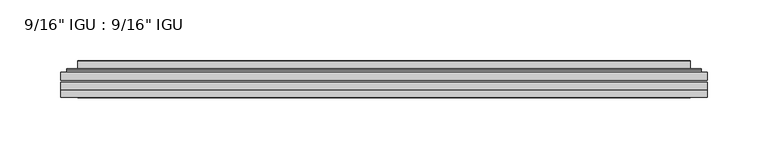
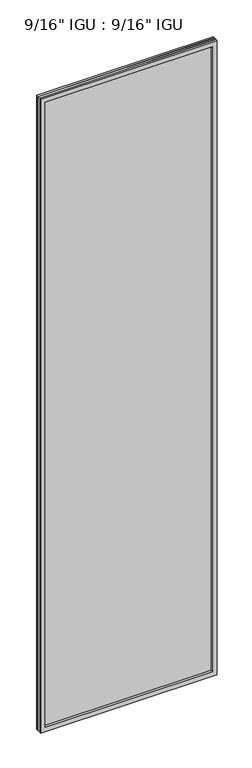
"""IFC4 building model written with IfcOpenShell, lengths in millimetres: plate geometry."""

from ifc_helpers import new_model, si_unit, frame, origin, place, context, project, spatial, polyline, ellipse_curve, outline, extrude, faceted_brep, source, transform, mapped, element, save
from ifc_brep_helpers import plane_surface, cylinder_surface, advanced_brep


def plate_fbda2cbd(model_context):
    return source(origin(), model_context, "Body", "SolidModel", [
        extrude(outline(polyline([(266.714175, -54.78145), (266.714175, -61.1317818), (-266.7, -61.1317818), (-266.7, -54.78145), (266.714175, -54.78145)])), frame((0.0, 0.0, -14.2875), z_axis=(0.0, 0.0, 1.0), x_axis=(1.0, 0.0, 0.0)), (0.0, 0.0, 1.0), 2022.4787979),
        extrude(outline(polyline([(-266.7, -69.05625), (-266.7, -62.705745), (266.714175, -62.705745), (266.714175, -69.05625), (-266.7, -69.05625)])), frame((0.0, 0.0, -14.2875), z_axis=(0.0, 0.0, 1.0), x_axis=(1.0, 0.0, 0.0)), (0.0, 0.0, 1.0), 2022.4787979),
        faceted_brep([(-266.7127, -75.40625, 2008.2002), (-266.7127, -69.05625, 2008.2002), (-266.7127, -69.05625, -14.3002), (-266.7127, -75.40625, -14.3002), (266.7127, -69.05625, -14.3002), (266.7127, -75.40625, -14.3002), (266.7127, -69.05625, 2008.2002), (266.7127, -75.40625, 2008.2002), (-251.5147559, -69.05625, 0.8977441), (251.5147559, -69.05625, 0.8977441), (251.5147559, -69.05625, 1993.0022559), (-251.5147559, -69.05625, 1993.0022559), (-252.4071902, -75.40625, 1993.8946902), (252.4071902, -75.40625, 1993.8946902), (252.4071902, -75.40625, 0.0053098), (-252.4071902, -75.40625, 0.0053098)], [[[0, 1, 2, 3]], [[3, 2, 4, 5]], [[5, 4, 6, 7]], [[1, 6, 4, 2], [8, 9, 10, 11]], [[7, 6, 1, 0]], [[3, 5, 7, 0], [12, 13, 14, 15]], [[11, 12, 15, 8]], [[8, 15, 14, 9]], [[9, 14, 13, 10]], [[10, 13, 12, 11]]]),
        advanced_brep(
        [(-259.458719, -54.78145, 2000.946219), (-261.8129244, -52.7917833, 2003.3004244), (-261.8129244, -52.7917833, -9.4004244), (-259.458719, -54.78145, -7.046219), (-250.3843939, -50.941413, 1991.8718939), (-245.4495621, -54.78145, 1986.9370621), (-245.4495621, -54.78145, 6.9629379), (-250.3843939, -50.941413, 2.0281061), (-251.4164217, -45.5441819, 1992.9039217), (-251.4164217, -45.5441819, 0.9960783), (-252.4070784, -45.1452069, 1993.8945784), (-252.4070784, -45.1452069, 0.0054216), (-252.4070784, -51.60645, 1993.8945784), (-252.4070784, -51.60645, 0.0054216), (-260.8111349, -51.60645, 2002.2986349), (-260.8111349, -51.60645, -8.3986349), (261.8129244, -52.7917833, -9.4004244), (259.458719, -54.78145, -7.046219), (245.4495621, -54.78145, 6.9629379), (250.3843939, -50.941413, 2.0281061), (251.4164217, -45.5441819, 0.9960783), (252.4070784, -45.1452069, 0.0054216), (252.4070784, -51.60645, 0.0054216), (260.8111349, -51.60645, -8.3986349), (261.8129244, -52.7917833, 2003.3004244), (259.458719, -54.78145, 2000.946219), (245.4495621, -54.78145, 1986.9370621), (250.3843939, -50.941413, 1991.8718939), (251.4164217, -45.5441819, 1992.9039217), (252.4070784, -45.1452069, 1993.8945784), (252.4070784, -51.60645, 1993.8945784), (260.8111349, -51.60645, 2002.2986349)],
        [
            (0, 1, ellipse_curve(frame((-259.458719, -52.39385, 2000.946219), z_axis=(-0.7071067811865475, 0.0, -0.7071067811865475), x_axis=(-0.7071067811865474, 0.0, 0.7071067811865476)), 3.3765763, 2.3876)),
            (1, 2),
            (2, 3, ellipse_curve(frame((-259.458719, -52.39385, -7.046219), z_axis=(-0.7071067811865475, 0.0, 0.7071067811865475), x_axis=(0.7071067811865474, 0.0, 0.7071067811865476)), 3.3765763, 2.3876)),
            (3, 0),
            (4, 5),
            (5, 6),
            (6, 7),
            (7, 4),
            (8, 4),
            (7, 9),
            (9, 8),
            (10, 8, ellipse_curve(frame((-252.0401219, -45.6634423, 1993.5276219), z_axis=(-0.7071067811865475, 0.0, -0.7071067811865475), x_axis=(-0.7071067811865474, 0.0, 0.7071067811865476)), 0.8980256, 0.635)),
            (9, 11, ellipse_curve(frame((-252.0401219, -45.6634423, 0.3723781), z_axis=(-0.7071067811865475, 0.0, 0.7071067811865475), x_axis=(0.7071067811865474, 0.0, 0.7071067811865476)), 0.8980256, 0.635)),
            (11, 10),
            (12, 10),
            (11, 13),
            (13, 12),
            (1, 14, ellipse_curve(frame((-260.8111349, -52.62245, 2002.2986349), z_axis=(-0.7071067811865475, 0.0, -0.7071067811865475), x_axis=(-0.7071067811865474, 0.0, 0.7071067811865476)), 1.436841, 1.016)),
            (14, 15),
            (15, 2, ellipse_curve(frame((-260.8111349, -52.62245, -8.3986349), z_axis=(-0.7071067811865475, 0.0, 0.7071067811865475), x_axis=(0.7071067811865474, 0.0, 0.7071067811865476)), 1.436841, 1.016)),
            (2, 16),
            (16, 17, ellipse_curve(frame((259.458719, -52.39385, -7.046219), z_axis=(-0.7071067811865475, 0.0, -0.7071067811865475), x_axis=(-0.7071067811865476, 0.0, 0.7071067811865474)), 3.3765763, 2.3876)),
            (17, 3),
            (6, 18),
            (18, 19),
            (19, 7),
            (19, 20),
            (20, 9),
            (20, 21, ellipse_curve(frame((252.0401219, -45.6634423, 0.3723781), z_axis=(-0.7071067811865475, 0.0, -0.7071067811865475), x_axis=(-0.7071067811865476, 0.0, 0.7071067811865474)), 0.8980256, 0.635)),
            (21, 11),
            (21, 22),
            (22, 13),
            (15, 23),
            (23, 16, ellipse_curve(frame((260.8111349, -52.62245, -8.3986349), z_axis=(-0.7071067811865475, 0.0, -0.7071067811865475), x_axis=(-0.7071067811865476, 0.0, 0.7071067811865474)), 1.436841, 1.016)),
            (16, 24),
            (24, 25, ellipse_curve(frame((259.458719, -52.39385, 2000.946219), z_axis=(0.7071067811865475, 0.0, -0.7071067811865475), x_axis=(-0.7071067811865474, 0.0, -0.7071067811865476)), 3.3765763, 2.3876)),
            (25, 17),
            (18, 26),
            (26, 27),
            (27, 19),
            (27, 28),
            (28, 20),
            (28, 29, ellipse_curve(frame((252.0401219, -45.6634423, 1993.5276219), z_axis=(0.7071067811865475, 0.0, -0.7071067811865475), x_axis=(-0.7071067811865474, 0.0, -0.7071067811865476)), 0.8980256, 0.635)),
            (29, 21),
            (29, 30),
            (30, 22),
            (23, 31),
            (31, 24, ellipse_curve(frame((260.8111349, -52.62245, 2002.2986349), z_axis=(0.7071067811865475, 0.0, -0.7071067811865475), x_axis=(-0.7071067811865474, 0.0, -0.7071067811865476)), 1.436841, 1.016)),
            (24, 1),
            (0, 25),
            (5, 26),
            (4, 27),
            (8, 28),
            (10, 29),
            (12, 30),
            (14, 31),
        ],
        [
            cylinder_surface(frame((-259.458719, -52.39385, 2025.65), z_axis=(0.0, 0.0, 1.0), x_axis=(-1.0, 0.0, 0.0)), 2.3876),
            plane_surface(frame((-245.4495621, -54.78145, 1986.9370621), z_axis=(0.6141233906514794, 0.7892100234124821, 0.0), x_axis=(0.0, 0.0, -1.0))),
            plane_surface(frame((-250.3843939, -50.941413, 1991.8718939), z_axis=(0.9822050625507728, 0.18781164793386088, 0.0), x_axis=(0.0, 0.0, -1.0))),
            cylinder_surface(frame((-252.0401219, -45.6634423, 2025.65), z_axis=(0.0, 0.0, 1.0), x_axis=(-1.0, 0.0, 0.0)), 0.635),
            plane_surface(frame((-252.4070784, -45.1452069, 1993.8945784), z_axis=(-1.0, 0.0, 0.0), x_axis=(0.0, 0.0, -1.0))),
            cylinder_surface(frame((-260.8111349, -52.62245, 2025.65), z_axis=(0.0, 0.0, 1.0), x_axis=(-1.0, 0.0, 0.0)), 1.016),
            cylinder_surface(frame((-284.1625, -52.39385, -7.046219), z_axis=(-1.0, 0.0, 0.0), x_axis=(0.0, 0.0, -1.0)), 2.3876),
            plane_surface(frame((-245.4495621, -54.78145, 6.9629379), z_axis=(0.0, 0.7892100234124841, 0.6141233906514768), x_axis=(1.0, 0.0, 0.0))),
            plane_surface(frame((-250.3843939, -50.941413, 2.0281061), z_axis=(0.0, 0.18781164793386404, 0.9822050625507722), x_axis=(1.0, 0.0, 0.0))),
            cylinder_surface(frame((-284.1625, -45.6634423, 0.3723781), z_axis=(-1.0, 0.0, 0.0), x_axis=(0.0, 0.0, -1.0)), 0.635),
            plane_surface(frame((-252.4070784, -45.1452069, 0.0054216), z_axis=(0.0, 0.0, -1.0), x_axis=(1.0, 0.0, 0.0))),
            cylinder_surface(frame((-284.1625, -52.62245, -8.3986349), z_axis=(-1.0, 0.0, 0.0), x_axis=(0.0, 0.0, -1.0)), 1.016),
            cylinder_surface(frame((259.458719, -52.39385, -31.75), z_axis=(0.0, 0.0, -1.0), x_axis=(1.0, 0.0, 0.0)), 2.3876),
            plane_surface(frame((245.4495621, -54.78145, 6.9629379), z_axis=(-0.6141233906514743, 0.7892100234124861, 0.0), x_axis=(0.0, 0.0, 1.0))),
            plane_surface(frame((250.3843939, -50.941413, 2.0281061), z_axis=(-0.9822050625507717, 0.1878116479338672, 0.0), x_axis=(0.0, 0.0, 1.0))),
            cylinder_surface(frame((252.0401219, -45.6634423, -31.75), z_axis=(0.0, 0.0, -1.0), x_axis=(1.0, 0.0, 0.0)), 0.635),
            plane_surface(frame((252.4070784, -45.1452069, 0.0054216), z_axis=(1.0, 0.0, 0.0), x_axis=(0.0, 0.0, 1.0))),
            cylinder_surface(frame((260.8111349, -52.62245, -31.75), z_axis=(0.0, 0.0, -1.0), x_axis=(1.0, 0.0, 0.0)), 1.016),
            cylinder_surface(frame((284.1625, -52.39385, 2000.946219), z_axis=(1.0, 0.0, 0.0), x_axis=(0.0, 0.0, 1.0)), 2.3876),
            plane_surface(frame((259.458719, -54.78145, 2000.946219), z_axis=(0.0, -1.0, 0.0), x_axis=(-1.0, 0.0, 0.0))),
            plane_surface(frame((245.4495621, -54.78145, 1986.9370621), z_axis=(0.0, 0.7892100234124841, -0.6141233906514768), x_axis=(-1.0, 0.0, 0.0))),
            plane_surface(frame((250.3843939, -50.941413, 1991.8718939), z_axis=(0.0, 0.18781164793386404, -0.9822050625507722), x_axis=(-1.0, 0.0, 0.0))),
            cylinder_surface(frame((284.1625, -45.6634423, 1993.5276219), z_axis=(1.0, 0.0, 0.0), x_axis=(0.0, 0.0, 1.0)), 0.635),
            plane_surface(frame((252.4070784, -45.1452069, 1993.8945784), z_axis=(0.0, 0.0, 1.0), x_axis=(-1.0, 0.0, 0.0))),
            plane_surface(frame((252.4070784, -51.60645, 1993.8945784), z_axis=(0.0, 1.0, 0.0), x_axis=(-1.0, 0.0, 0.0))),
            cylinder_surface(frame((284.1625, -52.62245, 2002.2986349), z_axis=(1.0, 0.0, 0.0), x_axis=(0.0, 0.0, 1.0)), 1.016),
        ],
        [
            (0, [[1, 2, 3, 4]]),
            (1, [[5, 6, 7, 8]]),
            (2, [[9, -8, 10, 11]]),
            (3, [[12, -11, 13, 14]]),
            (4, [[15, -14, 16, 17]]),
            (5, [[18, 19, 20, -2]]),
            (6, [[-3, 21, 22, 23]]),
            (7, [[-7, 24, 25, 26]]),
            (8, [[-10, -26, 27, 28]]),
            (9, [[-13, -28, 29, 30]]),
            (10, [[-16, -30, 31, 32]]),
            (11, [[-20, 33, 34, -21]]),
            (12, [[-22, 35, 36, 37]]),
            (13, [[-25, 38, 39, 40]]),
            (14, [[-27, -40, 41, 42]]),
            (15, [[-29, -42, 43, 44]]),
            (16, [[-31, -44, 45, 46]]),
            (17, [[-34, 47, 48, -35]]),
            (18, [[-36, 49, -1, 50]]),
            (19, [[-23, -37, -50, -4], [51, -38, -24, -6]]),
            (20, [[-39, -51, -5, 52]]),
            (21, [[-41, -52, -9, 53]]),
            (22, [[-43, -53, -12, 54]]),
            (23, [[-45, -54, -15, 55]]),
            (24, [[56, -47, -33, -19], [-32, -46, -55, -17]]),
            (25, [[-48, -56, -18, -49]]),
        ],
    ),
    ])


if __name__ == "__main__":
    model = new_model("IFC4")
    model_context = context("Model", 3, world=origin())
    ifc_project = project(units=[si_unit("LENGTHUNIT", "METRE", prefix="MILLI")], contexts=[model_context])
    site = spatial("IfcSite", under=ifc_project)
    building = spatial("IfcBuilding", under=site)
    placement = place(None, origin())
    plate_shape = plate_fbda2cbd(model_context)
    element("IfcPlate", 1, ObjectType="9/16\" IGU : 9/16\" IGU", at=placement, inside=building, context=model_context, shape_type="MappedRepresentation", body=[
        mapped(plate_shape, transform((0.0, 0.0, 0.0), x_axis=(1.0, 0.0, 0.0), y_axis=(0.0, 1.0, 0.0), z_axis=(0.0, 0.0, 1.0))),
    ])
    save(model, "model.ifc")
